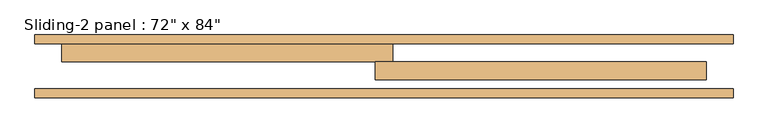
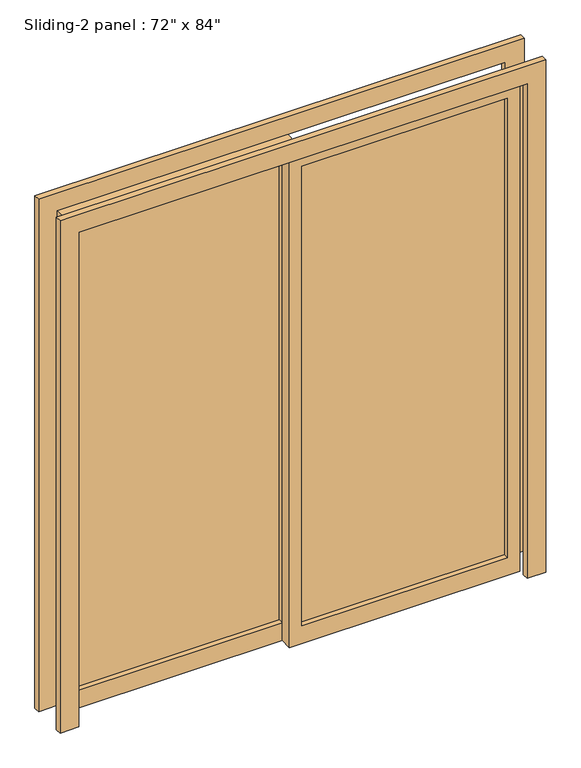
"""IFC4 building model written with IfcOpenShell, lengths in millimetres: door geometry."""

import ifcopenshell
import ifcopenshell.guid

model = None  # the IFC model being written
_history = None  # IfcOwnerHistory: only IFC2X3 demands one
_inside = {}  # id of a spatial element -> (the spatial element, [elements in it])
_under = {}  # id of a project, library or spatial element -> (it, [spatial elements below it])
_declared = {}  # id of a project -> (the project, [libraries it declares])
_typed = {}  # id of a type object -> (the type object, [elements of that type])
_made_of = {}  # id of a material, layer set ... -> (it, [elements and type objects made of it])


def new_model(schema):
    """Start an empty IFC model of exactly this schema.

    Asked for "IFC4X3", IfcOpenShell would pick the latest addendum, in which some entities
    have other attributes; the version numbers below select the first issue.
    IFC2X3 requires an IfcOwnerHistory on every rooted entity: one is made here for all.
    """
    global model, _history
    if schema == "IFC4X3":
        model = ifcopenshell.file(schema_version=(4, 3, 0, 0))
    else:
        model = ifcopenshell.file(schema=schema)
    _inside.clear()
    _under.clear()
    _declared.clear()
    _typed.clear()
    _made_of.clear()
    _history = None
    if model.schema == "IFC2X3":
        org = make("IfcOrganization", Name="unknown")
        user = make(
            "IfcPersonAndOrganization",
            ThePerson=make("IfcPerson", FamilyName="unknown"),
            TheOrganization=org,
        )
        app = make(
            "IfcApplication",
            ApplicationDeveloper=org,
            Version="unknown",
            ApplicationFullName="unknown",
            ApplicationIdentifier="unknown",
        )
        _history = make(
            "IfcOwnerHistory",
            OwningUser=user,
            OwningApplication=app,
            ChangeAction="ADDED",
            CreationDate=0,
        )
    return model


def make(cls, **values):
    """One entity of the class cls with the attributes given. An attribute that is None is left unset."""
    return model.create_entity(
        cls, **{name: value for name, value in values.items() if value is not None}
    )


def rooted(cls, **values):
    """An entity with a GlobalId (a new one), such as an element, a storey or a relation."""
    return make(cls, GlobalId=ifcopenshell.guid.new(), OwnerHistory=_history, **values)


def si_unit(unit_type, name, prefix=None):
    """IfcSIUnit, for example si_unit("LENGTHUNIT", "METRE", prefix="MILLI")."""
    return make("IfcSIUnit", UnitType=unit_type, Prefix=prefix, Name=name)


def assignment(units):
    """IfcUnitAssignment: the units of a project."""
    return None if units is None else make("IfcUnitAssignment", Units=units)


def point(xyz):
    """IfcCartesianPoint."""
    return None if xyz is None else make("IfcCartesianPoint", Coordinates=xyz)


def direction(xyz):
    """IfcDirection."""
    return None if xyz is None else make("IfcDirection", DirectionRatios=xyz)


def frame(location, z_axis=None, x_axis=None):
    """IfcAxis2Placement3D, a coordinate frame: its origin and axes. An axis left out is left unset."""
    return make(
        "IfcAxis2Placement3D",
        Location=point(location),
        Axis=direction(z_axis),
        RefDirection=direction(x_axis),
    )


def origin():
    """The frame at (0, 0, 0) with its axes left unset."""
    return frame((0.0, 0.0, 0.0))


def place(relative_to, where):
    """IfcLocalPlacement: puts the frame where relative to a parent placement (None: the world)."""
    return make(
        "IfcLocalPlacement", PlacementRelTo=relative_to, RelativePlacement=where
    )


def context(
    kind, dimensions, precision=None, world=None, true_north=None, identifier=None
):
    """IfcGeometricRepresentationContext, for example the 3D "Model" context."""
    return make(
        "IfcGeometricRepresentationContext",
        ContextIdentifier=identifier,
        ContextType=kind,
        CoordinateSpaceDimension=dimensions,
        Precision=precision,
        WorldCoordinateSystem=world,
        TrueNorth=true_north,
    )


def project(units=None, contexts=None):
    """IfcProject with its units and contexts."""
    return rooted(
        "IfcProject",
        Name="project",
        RepresentationContexts=contexts,
        UnitsInContext=assignment(units),
    )


def spatial(cls, under=None, at=None, **own):
    """A site, building, storey or space (cls), placed at a placement, below another one or the project."""
    s = rooted(cls, ObjectPlacement=at, **own)
    if under is not None:
        _under.setdefault(under.id(), (under, []))[1].append(s)
    return s


def polyline(points):
    """IfcPolyline through the points."""
    return make("IfcPolyline", Points=[point(p) for p in points])


def outline(outer, holes=None, kind="AREA"):
    """IfcArbitraryClosedProfileDef: a profile drawn as a closed curve; with holes, ...WithVoids."""
    if holes is None:
        return make("IfcArbitraryClosedProfileDef", ProfileType=kind, OuterCurve=outer)
    return make(
        "IfcArbitraryProfileDefWithVoids",
        ProfileType=kind,
        OuterCurve=outer,
        InnerCurves=holes,
    )


def extrude(swept, where, along, depth):
    """IfcExtrudedAreaSolid: the profile swept, set in the frame where, extruded along a direction by depth."""
    return make(
        "IfcExtrudedAreaSolid",
        SweptArea=swept,
        Position=where,
        ExtrudedDirection=direction(along),
        Depth=depth,
    )


def shape(context_of_items, identifier, shape_type, items):
    """IfcShapeRepresentation: the items that make up one representation, for example the "Body"."""
    return make(
        "IfcShapeRepresentation",
        ContextOfItems=context_of_items,
        RepresentationIdentifier=identifier,
        RepresentationType=shape_type,
        Items=items,
    )


def source(mapping_origin, context_of_items, identifier, shape_type, items):
    """IfcRepresentationMap: a shape defined once, which mapped items show again and again."""
    return make(
        "IfcRepresentationMap",
        MappingOrigin=mapping_origin,
        MappedRepresentation=shape(context_of_items, identifier, shape_type, items),
    )


def transform(
    local_origin,
    x_axis=None,
    y_axis=None,
    z_axis=None,
    scale=None,
    scale2=None,
    scale3=None,
    uniform=True,
):
    """IfcCartesianTransformationOperator3D, or its non-uniform kind. x_axis, y_axis, z_axis: its Axis1, 2, 3."""
    if uniform:
        return make(
            "IfcCartesianTransformationOperator3D",
            Axis1=direction(x_axis),
            Axis2=direction(y_axis),
            LocalOrigin=point(local_origin),
            Scale=scale,
            Axis3=direction(z_axis),
        )
    return make(
        "IfcCartesianTransformationOperator3DnonUniform",
        Axis1=direction(x_axis),
        Axis2=direction(y_axis),
        LocalOrigin=point(local_origin),
        Scale=scale,
        Axis3=direction(z_axis),
        Scale2=scale2,
        Scale3=scale3,
    )


def mapped(mapping_source, mapping_target):
    """IfcMappedItem: shows the shape of a source again, moved by a transform."""
    return make(
        "IfcMappedItem", MappingSource=mapping_source, MappingTarget=mapping_target
    )


def made_of(thing, what):
    """Note that an element or type object is made of a material, layer set ...; save() writes the relation."""
    if what is not None:
        _made_of.setdefault(what.id(), (what, []))[1].append(thing)
    return thing


def element(
    cls,
    number,
    at=None,
    inside=None,
    cuts=None,
    type_object=None,
    material=None,
    context=None,
    identifier="Body",
    shape_type=None,
    held_by="IfcProductDefinitionShape",
    body=None,
    shapes=None,
    **own,
):
    """One element of the class cls, such as IfcWall. Its Tag is "e" and its number.

    at: its placement. inside: the storey or other place that contains it. cuts: it is an
    opening in that element (IfcRelVoidsElement). A single representation is given by context,
    identifier, shape_type and body (its items); several are given by shapes. held_by: the class
    of the entity that holds the representations. save() writes the other relations.
    """
    e = rooted(cls, Tag="e%d" % number, ObjectPlacement=at, **own)
    if body is not None:
        shapes = [shape(context, identifier, shape_type, body)]
    if shapes is not None:
        e.Representation = make(held_by, Representations=shapes)
    if inside is not None:
        _inside.setdefault(inside.id(), (inside, []))[1].append(e)
    if cuts is not None:
        rooted(
            "IfcRelVoidsElement", RelatingBuildingElement=cuts, RelatedOpeningElement=e
        )
    if type_object is not None:
        _typed.setdefault(type_object.id(), (type_object, []))[1].append(e)
    return made_of(e, material)


def aggregate(whole, parts):
    """IfcRelAggregates: a whole, such as a stair, and the parts it consists of."""
    return rooted("IfcRelAggregates", RelatingObject=whole, RelatedObjects=parts)


def save(model, path):
    """Write the relations noted so far, then the file.

    IfcRelAggregates (storeys below a building ...), IfcRelContainedInSpatialStructure (elements
    in a storey), IfcRelDefinesByType, IfcRelAssociatesMaterial and IfcRelDeclares: one each for
    every whole, place, type object, material and project.
    """
    for whole, parts in _under.values():
        aggregate(whole, parts)
    for where, things in _inside.values():
        rooted(
            "IfcRelContainedInSpatialStructure",
            RelatedElements=things,
            RelatingStructure=where,
        )
    for kind, things in _typed.values():
        rooted("IfcRelDefinesByType", RelatedObjects=things, RelatingType=kind)
    for what, things in _made_of.values():
        rooted("IfcRelAssociatesMaterial", RelatedObjects=things, RelatingMaterial=what)
    for by, libraries in _declared.values():
        rooted("IfcRelDeclares", RelatingContext=by, RelatedDefinitions=libraries)
    model.write(path)


def door_df6bd467(model_context):
    return source(origin(), model_context, "Body", "SweptSolid", [
        extrude(outline(polyline([(25.4, 117.475), (863.6, 117.475), (863.6, 111.125), (25.4, 111.125), (25.4, 117.475)])), frame((0.0, 0.0, 76.2), z_axis=(0.0, 0.0, 1.0), x_axis=(1.0, 0.0, 0.0)), (0.0, 0.0, 1.0), 1981.2),
        extrude(outline(polyline([(2133.6, -25.4), (0.0, -25.4), (0.0, 914.4), (2133.6, 914.4), (2133.6, -25.4)]), holes=[polyline([(2057.4, 25.4), (2057.4, 863.6), (76.2, 863.6), (76.2, 25.4), (2057.4, 25.4)])]), frame((0.0, 88.9, 0.0), z_axis=(0.0, 1.0, 0.0), x_axis=(0.0, 0.0, 1.0)), (0.0, 0.0, 1.0), 50.8),
        extrude(outline(polyline([(-863.6, 168.275), (-25.4, 168.275), (-25.4, 161.925), (-863.6, 161.925), (-863.6, 168.275)])), frame((0.0, 0.0, 76.2), z_axis=(0.0, 0.0, 1.0), x_axis=(1.0, 0.0, 0.0)), (0.0, 0.0, 1.0), 1981.2),
        extrude(outline(polyline([(2133.6, 25.4), (2133.6, -914.4), (0.0, -914.4), (0.0, 25.4), (2133.6, 25.4)]), holes=[polyline([(2057.4, -25.4), (76.2, -25.4), (76.2, -863.6), (2057.4, -863.6), (2057.4, -25.4)])]), frame((0.0, 139.7, 0.0), z_axis=(0.0, 1.0, 0.0), x_axis=(0.0, 0.0, 1.0)), (0.0, 0.0, 1.0), 50.8),
        extrude(outline(polyline([(0.0, -990.6), (0.0, -914.4), (2133.6, -914.4), (2133.6, 914.4), (0.0, 914.4), (0.0, 990.6), (2209.8, 990.6), (2209.8, -990.6), (0.0, -990.6)])), frame((0.0, 38.1, 0.0), z_axis=(0.0, 1.0, 0.0), x_axis=(0.0, 0.0, 1.0)), (0.0, 0.0, 1.0), 25.4),
        extrude(outline(polyline([(0.0, 990.6), (2209.8, 990.6), (2209.8, -990.6), (0.0, -990.6), (0.0, -914.4), (2133.6, -914.4), (2133.6, 914.4), (0.0, 914.4), (0.0, 990.6)])), frame((0.0, 190.5, 0.0), z_axis=(0.0, 1.0, 0.0), x_axis=(0.0, 0.0, 1.0)), (0.0, 0.0, 1.0), 25.4),
    ])


if __name__ == "__main__":
    model = new_model("IFC4")
    model_context = context("Model", 3, world=origin())
    ifc_project = project(units=[si_unit("LENGTHUNIT", "METRE", prefix="MILLI")], contexts=[model_context])
    site = spatial("IfcSite", under=ifc_project)
    building = spatial("IfcBuilding", under=site)
    placement = place(None, origin())
    door_shape = door_df6bd467(model_context)
    element("IfcDoor", 1, ObjectType="Sliding-2 panel : 72\" x 84\"", at=placement, inside=building, context=model_context, shape_type="MappedRepresentation", body=[
        mapped(door_shape, transform((0.0, 0.0, 0.0), x_axis=(1.0, 0.0, 0.0), y_axis=(0.0, 1.0, 0.0), z_axis=(0.0, 0.0, 1.0))),
    ])
    save(model, "model.ifc")
